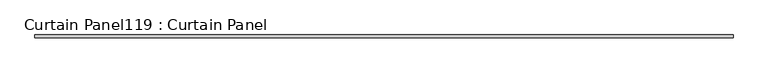
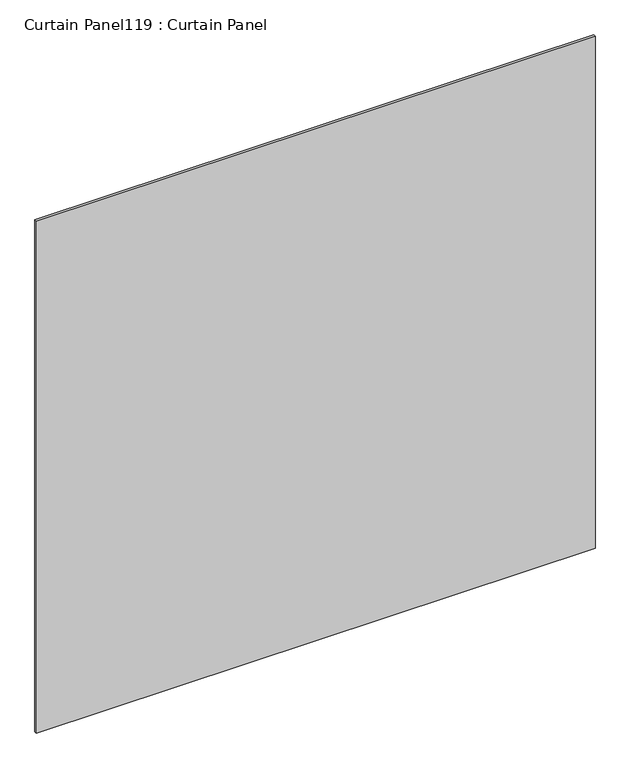
"""IFC4 building model written with IfcOpenShell, lengths in millimetres: plate geometry, Curtain Panel119 : Curtain Panel."""

from ifc_helpers import new_model, si_unit, frame, origin, place, context, project, spatial, polyline, outline, extrude, source, transform, mapped, element, save


def curtain_panel119_curtain_panel_ed84f46c(model_context):
    return source(origin(), model_context, "Body", "SweptSolid", [
        extrude(outline(polyline([(262572.1386393, 2414.4484836), (261098.9386393, 2414.4484836), (261098.9386393, 2420.7984836), (262572.1386393, 2420.7984836), (262572.1386393, 2414.4484836)])), frame((0.0, 0.0, 4914.2249337), z_axis=(0.0, 0.0, 1.0), x_axis=(1.0, 0.0, 0.0)), (0.0, 0.0, 1.0), 1426.44027),
    ])


if __name__ == "__main__":
    model = new_model("IFC4")
    model_context = context("Model", 3, world=origin())
    ifc_project = project(units=[si_unit("LENGTHUNIT", "METRE", prefix="MILLI")], contexts=[model_context])
    site = spatial("IfcSite", under=ifc_project)
    building = spatial("IfcBuilding", under=site)
    placement = place(None, origin())
    curtain_panel119_curtain_panel_shape = curtain_panel119_curtain_panel_ed84f46c(model_context)
    element("IfcPlate", 1, ObjectType="Curtain Panel119 : Curtain Panel", at=placement, inside=building, context=model_context, shape_type="MappedRepresentation", body=[
        mapped(curtain_panel119_curtain_panel_shape, transform((0.0, 0.0, 0.0), x_axis=(1.0, 0.0, 0.0), y_axis=(0.0, 1.0, 0.0), z_axis=(0.0, 0.0, 1.0))),
    ])
    save(model, "model.ifc")
